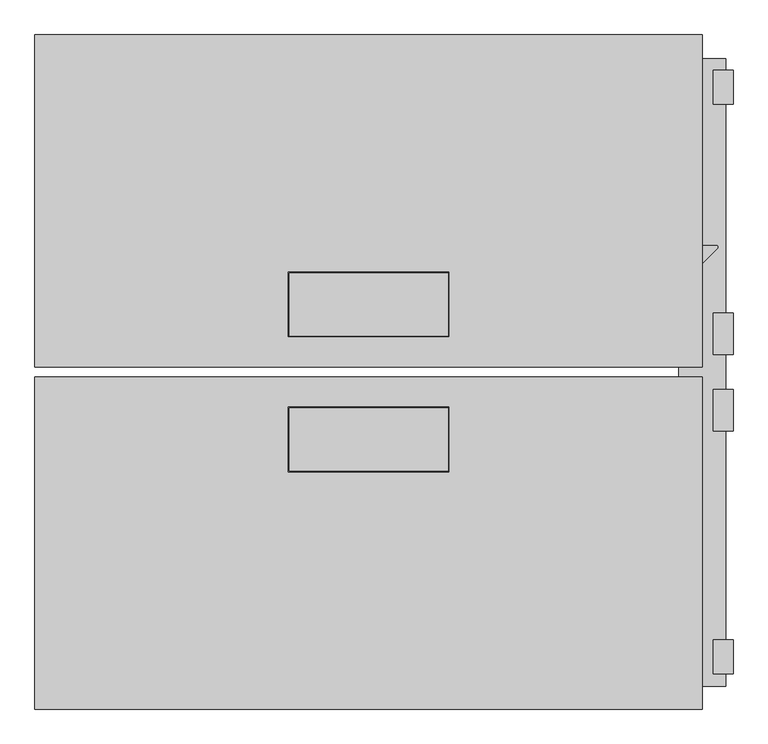
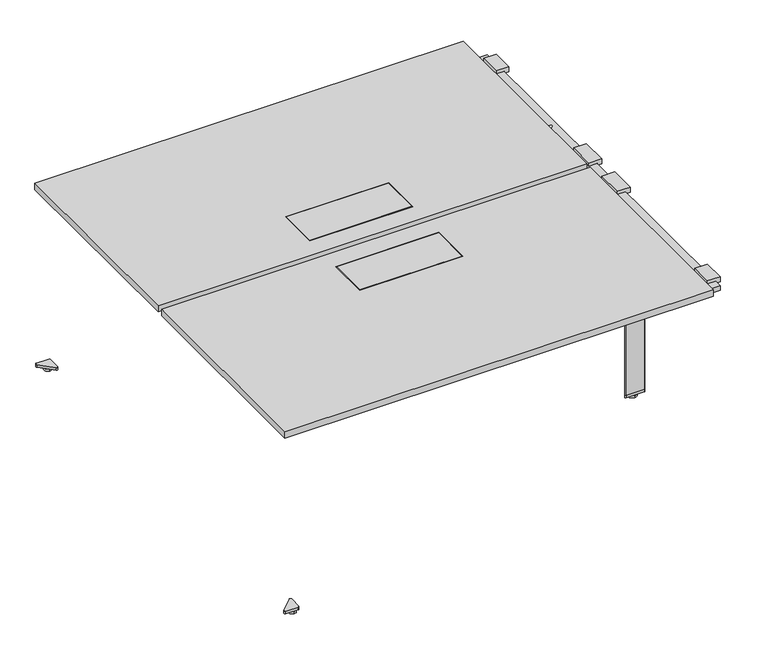
"""IFC4 building model written with IfcOpenShell, lengths in millimetres: furniture geometry."""

from ifc_helpers import new_model, si_unit, point, frame, frame_2d, origin, place, context, project, spatial, polyline, circle_curve, trimmed, segment, composite_curve, outline, extrude, source, transform, mapped, element, save
from ifc_brep_helpers import plane_surface, cylinder_surface, advanced_brep


def furniture_69a48671(model_context):
    return source(origin(), model_context, "Body", "SolidModel", [
        extrude(outline(composite_curve([segment(polyline([(766.7032099, 303.7199312), (833.1652429, 303.7199312)]), True, "CONTINUOUS"), segment(trimmed(circle_curve(frame_2d((833.1652429, 299.6914597)), 4.0284715), [point((833.1652429, 303.7199312))], [point((836.0138024, 296.8429002))], False, "CARTESIAN"), True, "CONTINUOUS"), segment(polyline([(836.0138024, 296.8429002), (802.8284248, 263.6575226)]), True, "CONTINUOUS"), segment(trimmed(circle_curve(frame_2d((799.9999977, 266.4859497)), 4.0), [point((802.8284248, 263.6575226))], [point((797.1715705, 263.6575226))], False, "CARTESIAN"), True, "CONTINUOUS"), segment(polyline([(797.1715705, 263.6575226), (763.8931783, 296.9359148)]), True, "CONTINUOUS"), segment(trimmed(circle_curve(frame_2d((766.7032099, 299.7459464)), 3.9739848), [point((763.8931783, 296.9359148))], [point((766.7032099, 303.7199312))], False, "CARTESIAN"), True, "CONTINUOUS")], self_intersect=False)), frame((0.0, 0.0, 23.208927), z_axis=(0.0, 0.0, 1.0), x_axis=(1.0, 0.0, 0.0)), (0.0, 0.0, 1.0), 673.9998185),
        extrude(outline(polyline([(697.6088462, 743.4999127), (697.6088462, 773.499912), (709.208801, 773.499912), (709.208801, 726.4999155), (689.6088291, 726.4999155), (689.6088291, 743.4999127), (697.6088462, 743.4999127)])), frame((0.0, -141.3356589, 0.0), z_axis=(0.0, 1.0, 0.0), x_axis=(0.0, 0.0, 1.0)), (0.0, 0.0, 1.0), 99.7357006),
        extrude(outline(polyline([(697.6088462, 856.5000826), (689.6088291, 856.5000826), (689.6088291, 873.5000798), (709.208801, 873.5000798), (709.208801, 826.5000833), (697.6088462, 826.5000833), (697.6088462, 856.5000826)])), frame((0.0, -141.3356589, 0.0), z_axis=(0.0, 1.0, 0.0), x_axis=(0.0, 0.0, 1.0)), (0.0, 0.0, 1.0), 99.7357006),
        extrude(outline(polyline([(697.6088462, 743.4999127), (697.6088462, 773.499912), (709.208801, 773.499912), (709.208801, 726.4999155), (689.6088291, 726.4999155), (689.6088291, 743.4999127), (697.6088462, 743.4999127)])), frame((0.0, 42.4999728, 0.0), z_axis=(0.0, 1.0, 0.0), x_axis=(0.0, 0.0, 1.0)), (0.0, 0.0, 1.0), 99.7357006),
        extrude(outline(polyline([(697.6088462, 856.5000826), (689.6088291, 856.5000826), (689.6088291, 873.5000798), (709.208801, 873.5000798), (709.208801, 826.5000833), (697.6088462, 826.5000833), (697.6088462, 856.5000826)])), frame((0.0, 42.4999728, 0.0), z_axis=(0.0, 1.0, 0.0), x_axis=(0.0, 0.0, 1.0)), (0.0, 0.0, 1.0), 99.7357006),
        extrude(outline(polyline([(697.6088462, 743.4999127), (697.6088462, 773.499912), (709.208801, 773.499912), (709.208801, 726.4999155), (689.6088291, 726.4999155), (689.6088291, 743.4999127), (697.6088462, 743.4999127)])), frame((0.0, 642.9699135, 0.0), z_axis=(0.0, 1.0, 0.0), x_axis=(0.0, 0.0, 1.0)), (0.0, 0.0, 1.0), 81.5000087),
        extrude(outline(polyline([(697.6088462, 856.5000826), (689.6088291, 856.5000826), (689.6088291, 873.5000798), (709.208801, 873.5000798), (709.208801, 826.5000833), (697.6088462, 826.5000833), (697.6088462, 856.5000826)])), frame((0.0, 642.9699135, 0.0), z_axis=(0.0, 1.0, 0.0), x_axis=(0.0, 0.0, 1.0)), (0.0, 0.0, 1.0), 81.5000087),
        extrude(outline(polyline([(697.6088462, 743.4999127), (697.6088462, 773.499912), (709.208801, 773.499912), (709.208801, 726.4999155), (689.6088291, 726.4999155), (689.6088291, 743.4999127), (697.6088462, 743.4999127)])), frame((0.0, -723.5699077, 0.0), z_axis=(0.0, 1.0, 0.0), x_axis=(0.0, 0.0, 1.0)), (0.0, 0.0, 1.0), 81.5000087),
        extrude(outline(polyline([(697.6088462, 856.5000826), (689.6088291, 856.5000826), (689.6088291, 873.5000798), (709.208801, 873.5000798), (709.208801, 826.5000833), (697.6088462, 826.5000833), (697.6088462, 856.5000826)])), frame((0.0, -723.5699077, 0.0), z_axis=(0.0, 1.0, 0.0), x_axis=(0.0, 0.0, 1.0)), (0.0, 0.0, 1.0), 81.5000087),
        advanced_brep(
        [(743.4999134, 751.6799325, 697.2087455), (856.4999114, 751.6799325, 697.2087455), (856.4999114, 751.6799325, 680.4588032), (743.4999134, 751.6799325, 680.4588032), (856.4999114, -753.8200861, 697.2087455), (743.4999134, -753.8200861, 697.2087455), (743.4999134, -753.8200861, 680.4588032), (856.4999114, -753.8200861, 680.4588032), (743.4999134, 713.4698138, 680.4588032), (743.4999134, 635.0456789, 642.208779), (743.4999134, -634.1456644, 642.208779), (743.4999134, -712.5697993, 680.4588032), (856.4999114, -712.5697993, 680.4588032), (856.4999114, -634.1456644, 642.208779), (856.4999114, 635.0456789, 642.208779), (856.4999114, 713.4698138, 680.4588032), (820.2499125, -634.1456644, 642.208779), (820.2499125, -302.8199167, 642.208779), (833.1652429, -302.8199167, 642.208779), (836.0138024, -295.9428858, 642.208779), (820.2499125, -280.1789958, 642.208779), (820.2499125, 635.0456789, 642.208779), (820.2499125, -712.5697993, 680.4588032), (820.2499125, -302.8199167, 680.4588032), (820.2499125, 713.4698138, 680.4588032), (820.2499125, -280.1789958, 680.4588032), (779.7499123, -712.5697993, 680.4588032), (779.7499123, -302.8199167, 680.4588032), (779.7499123, 713.4698138, 680.4588032), (802.8284248, -262.7575081, 680.4588032), (797.1715705, -262.7575081, 680.4588032), (779.7499123, -280.1791663, 680.4588032), (779.7499123, -634.1456644, 642.208779), (779.7499123, -302.8199167, 642.208779), (779.7499123, 635.0456789, 642.208779), (779.7499123, -280.1791663, 642.208779), (763.8931783, -296.0359003, 642.208779), (766.7032099, -302.8199167, 642.208779), (766.7032099, -302.8199167, 23.208927), (763.8931783, -296.0359003, 23.208927), (797.1715705, -262.7575081, 23.208927), (802.8284248, -262.7575081, 23.208927), (836.0138024, -295.9428858, 23.208927), (833.1652429, -302.8199167, 23.208927)],
        [
            (0, 1),
            (1, 2),
            (2, 3),
            (3, 0),
            (4, 5),
            (5, 6),
            (6, 7),
            (7, 4),
            (5, 0),
            (3, 8),
            (8, 9),
            (9, 10),
            (10, 11),
            (11, 6),
            (4, 1),
            (7, 12),
            (12, 13),
            (13, 14),
            (14, 15),
            (15, 2),
            (13, 16),
            (16, 17),
            (17, 18),
            (18, 19, circle_curve(frame((833.1652429, -298.7914452, 642.208779), z_axis=(0.0, 0.0, 1.0), x_axis=(1.0, 0.0, 0.0)), 4.0284715)),
            (19, 20),
            (20, 21),
            (21, 14),
            (16, 22),
            (22, 23),
            (23, 17),
            (24, 21),
            (20, 25),
            (25, 24),
            (11, 26),
            (26, 27),
            (27, 23),
            (22, 12),
            (28, 8),
            (15, 24),
            (25, 29),
            (29, 30, circle_curve(frame((799.9999977, -265.5859352, 680.4588032), z_axis=(0.0, 0.0, 1.0), x_axis=(1.0, 0.0, 0.0)), 4.0)),
            (30, 31),
            (31, 28),
            (26, 32),
            (32, 33),
            (33, 27),
            (34, 28),
            (31, 35),
            (35, 34),
            (9, 34),
            (35, 36),
            (36, 37, circle_curve(frame((766.7032099, -298.8459319, 642.208779), z_axis=(0.0, 0.0, 1.0), x_axis=(1.0, 0.0, 0.0)), 3.9739848)),
            (37, 33),
            (32, 10),
            (38, 39, circle_curve(frame((766.7032099, -298.8459319, 23.208927), z_axis=(0.0, 0.0, -1.0), x_axis=(1.0, 0.0, 0.0)), 3.9739848)),
            (39, 40),
            (40, 41, circle_curve(frame((799.9999977, -265.5859352, 23.208927), z_axis=(0.0, 0.0, -1.0), x_axis=(1.0, 0.0, 0.0)), 4.0)),
            (41, 42),
            (42, 43, circle_curve(frame((833.1652429, -298.7914452, 23.208927), z_axis=(0.0, 0.0, -1.0), x_axis=(1.0, 0.0, 0.0)), 4.0284715)),
            (43, 38),
            (43, 18),
            (37, 38),
            (42, 19),
            (41, 29),
            (40, 30),
            (39, 36),
        ],
        [
            plane_surface(frame((743.4999134, 751.6799325, 642.208779), z_axis=(0.0, 1.0, 0.0), x_axis=(0.0, 0.0, 1.0))),
            plane_surface(frame((743.4999134, -753.8200861, 642.208779), z_axis=(0.0, -1.0, 0.0), x_axis=(0.0, 0.0, -1.0))),
            plane_surface(frame((743.4999134, 751.6799325, 642.208779), z_axis=(-1.0, 0.0, 0.0), x_axis=(0.0, -1.0, 0.0))),
            plane_surface(frame((743.4999134, 751.6799325, 697.2087455), z_axis=(0.0, 0.0, 1.0), x_axis=(0.0, -1.0, 0.0))),
            plane_surface(frame((856.4999114, 751.6799325, 697.2087455), z_axis=(1.0, 0.0, 0.0), x_axis=(0.0, -1.0, 0.0))),
            plane_surface(frame((856.4999114, 751.6799325, 642.208779), z_axis=(0.0, 0.0, -1.0), x_axis=(0.0, -1.0, 0.0))),
            plane_surface(frame((820.2499125, 751.6799325, 642.208779), z_axis=(-1.0, 0.0, 0.0), x_axis=(0.0, -1.0, 0.0))),
            plane_surface(frame((820.2499125, 751.6799325, 680.4588032), z_axis=(0.0, 0.0, -1.0), x_axis=(0.0, -1.0, 0.0))),
            plane_surface(frame((779.7499123, 751.6799325, 680.4588032), z_axis=(1.0, 0.0, 0.0), x_axis=(0.0, -1.0, 0.0))),
            plane_surface(frame((779.7499123, 751.6799325, 642.208779), z_axis=(0.0, 0.0, -1.0), x_axis=(0.0, -1.0, 0.0))),
            plane_surface(frame((890.6366243, -627.1843725, 638.8135285), z_axis=(0.0, -0.4383713119934702, -0.8987939657235821), x_axis=(-1.0, 0.0, 0.0))),
            plane_surface(frame((890.6366243, 713.4698138, 680.4588032), z_axis=(0.0, 0.4383713119934702, -0.8987939657235821), x_axis=(-1.0, 0.0, 0.0))),
            plane_surface(frame((833.1652429, -302.8199167, 23.208927), z_axis=(0.0, 0.0, -1.0), x_axis=(-1.0, 0.0, 0.0))),
            plane_surface(frame((766.7032099, -302.8199167, 697.2087455), z_axis=(0.0, -1.0, 0.0), x_axis=(0.0, 0.0, -1.0))),
            cylinder_surface(frame((833.1652429, -298.7914452, 23.208927), z_axis=(0.0, 0.0, 1.0), x_axis=(1.0, 0.0, 0.0)), 4.0284715),
            plane_surface(frame((836.0138024, -295.9428858, 697.2087455), z_axis=(0.7071067811865195, 0.7071067811865757, 0.0), x_axis=(0.0, 0.0, -1.0))),
            cylinder_surface(frame((799.9999977, -265.5859352, 23.208927), z_axis=(0.0, 0.0, 1.0), x_axis=(1.0, 0.0, 0.0)), 4.0),
            plane_surface(frame((797.1715705, -262.7575081, 697.2087455), z_axis=(-0.7071067811865511, 0.7071067811865439, 0.0), x_axis=(0.0, 0.0, -1.0))),
            cylinder_surface(frame((766.7032099, -298.8459319, 23.208927), z_axis=(0.0, 0.0, 1.0), x_axis=(1.0, 0.0, 0.0)), 3.9739848),
        ],
        [
            (0, [[1, 2, 3, 4]]),
            (1, [[5, 6, 7, 8]]),
            (2, [[9, -4, 10, 11, 12, 13, 14, -6]]),
            (3, [[-1, -9, -5, 15]]),
            (4, [[-15, -8, 16, 17, 18, 19, 20, -2]]),
            (5, [[-18, 21, 22, 23, 24, 25, 26, 27]]),
            (6, [[28, 29, 30, -22]]),
            (6, [[31, -26, 32, 33]]),
            (7, [[34, 35, 36, -29, 37, -16, -7, -14]]),
            (7, [[38, -10, -3, -20, 39, -33, 40, 41, 42, 43]]),
            (8, [[44, 45, 46, -35]]),
            (8, [[47, -43, 48, 49]]),
            (9, [[-12, 50, -49, 51, 52, 53, -45, 54]]),
            (10, [[-34, -13, -54, -44]]),
            (10, [[-37, -28, -21, -17]]),
            (11, [[-38, -47, -50, -11]]),
            (11, [[-39, -19, -27, -31]]),
            (12, [[55, 56, 57, 58, 59, 60]]),
            (13, [[-60, 61, -23, -30, -36, -46, -53, 62]]),
            (14, [[-59, 63, -24, -61]]),
            (15, [[-58, 64, -40, -32, -25, -63]]),
            (16, [[-57, 65, -41, -64]]),
            (17, [[-56, 66, -51, -48, -42, -65]]),
            (18, [[-55, -62, -52, -66]]),
        ],
    ),
        advanced_brep(
        [(799.9999977, 274.909596, 13.2089251), (799.9999977, 291.296285, 13.2089251), (799.9999977, 291.296285, 7.9177468), (799.9999977, 274.909596, 7.9177468), (799.9999977, 299.9685714, 7.9177468), (799.9999977, 266.2373095, 7.9177468), (799.9999977, 299.9685714, 0.0), (799.9999977, 266.2373095, 0.0), (799.9999977, 283.1029405, 0.0), (799.9999977, 283.1029405, 13.2089251)],
        [
            (0, 1, circle_curve(frame((799.9999977, 283.1029405, 13.2089251), z_axis=(0.0, 0.0, -1.0), x_axis=(0.0, 1.0, 0.0)), 8.1933445)),
            (1, 2),
            (2, 3, circle_curve(frame((799.9999977, 283.1029405, 7.9177468), z_axis=(0.0, 0.0, 1.0), x_axis=(0.0, 1.0, 0.0)), 8.1933445)),
            (3, 0),
            (1, 0, circle_curve(frame((799.9999977, 283.1029405, 13.2089251), z_axis=(0.0, 0.0, -1.0), x_axis=(0.0, 1.0, 0.0)), 8.1933445)),
            (3, 2, circle_curve(frame((799.9999977, 283.1029405, 7.9177468), z_axis=(0.0, 0.0, 1.0), x_axis=(0.0, 1.0, 0.0)), 8.1933445)),
            (2, 4),
            (4, 5, circle_curve(frame((799.9999977, 283.1029405, 7.9177468), z_axis=(0.0, 0.0, 1.0), x_axis=(0.0, 1.0, 0.0)), 16.865631)),
            (5, 3),
            (5, 4, circle_curve(frame((799.9999977, 283.1029405, 7.9177468), z_axis=(0.0, 0.0, 1.0), x_axis=(0.0, 1.0, 0.0)), 16.865631)),
            (4, 6),
            (6, 7, circle_curve(frame((799.9999977, 283.1029405, 0.0), z_axis=(0.0, 0.0, 1.0), x_axis=(0.0, 1.0, 0.0)), 16.865631)),
            (7, 5),
            (7, 6, circle_curve(frame((799.9999977, 283.1029405, 0.0), z_axis=(0.0, 0.0, 1.0), x_axis=(0.0, 1.0, 0.0)), 16.865631)),
            (6, 8),
            (8, 7),
            (9, 1),
            (0, 9),
        ],
        [
            cylinder_surface(frame((799.9999977, 283.1029405, 23.208927), z_axis=(0.0, 0.0, 1.0), x_axis=(0.0, 1.0, 0.0)), 8.1933445),
            plane_surface(frame((799.9999977, 283.1029405, 7.9177468), z_axis=(0.0, 0.0, 1.0), x_axis=(0.0, 1.0, 0.0))),
            cylinder_surface(frame((799.9999977, 283.1029405, 23.208927), z_axis=(0.0, 0.0, 1.0), x_axis=(0.0, 1.0, 0.0)), 16.865631),
            plane_surface(frame((799.9999977, 283.1029405, 0.0), z_axis=(0.0, 0.0, -1.0), x_axis=(0.0, 1.0, 0.0))),
            plane_surface(frame((799.9999977, 283.1029405, 13.2089251), z_axis=(0.0, 0.0, 1.0), x_axis=(0.0, 1.0, 0.0))),
        ],
        [
            (0, [[1, 2, 3, 4]]),
            (0, [[5, -4, 6, -2]]),
            (1, [[-3, 7, 8, 9]]),
            (1, [[-6, -9, 10, -7]]),
            (2, [[-8, 11, 12, 13]]),
            (2, [[-10, -13, 14, -11]]),
            (3, [[-12, 15, 16]]),
            (3, [[-14, -16, -15]]),
            (4, [[17, -1, 18]]),
            (4, [[-18, -5, -17]]),
        ],
    ),
        extrude(outline(composite_curve([segment(trimmed(circle_curve(frame_2d((766.7032099, 299.7459464)), 3.9739848), [point((763.8931783, 296.9359148))], [point((766.7032099, 303.7199312))], False, "CARTESIAN"), True, "CONTINUOUS"), segment(polyline([(766.7032099, 303.7199312), (833.1652429, 303.7199312)]), True, "CONTINUOUS"), segment(trimmed(circle_curve(frame_2d((833.1652429, 299.6914597)), 4.0284715), [point((833.1652429, 303.7199312))], [point((836.0138024, 296.8429002))], False, "CARTESIAN"), True, "CONTINUOUS"), segment(polyline([(836.0138024, 296.8429002), (802.8284248, 263.6575226)]), True, "CONTINUOUS"), segment(trimmed(circle_curve(frame_2d((799.9999977, 266.4859497)), 4.0), [point((802.8284248, 263.6575226))], [point((797.1715705, 263.6575226))], False, "CARTESIAN"), True, "CONTINUOUS"), segment(polyline([(797.1715705, 263.6575226), (763.8931783, 296.9359148)]), True, "CONTINUOUS")], self_intersect=False)), frame((0.0, 0.0, 13.2089251), z_axis=(0.0, 0.0, 1.0), x_axis=(1.0, 0.0, 0.0)), (0.0, 0.0, 1.0), 10.0000019),
        advanced_brep(
        [(799.9999977, -274.0095815, 7.9177468), (799.9999977, -290.3962705, 7.9177468), (799.9999977, -290.3962705, 13.2089251), (799.9999977, -274.0095815, 13.2089251), (799.9999977, -265.337295, 7.9177468), (799.9999977, -299.0685569, 7.9177468), (799.9999977, -265.337295, 0.0), (799.9999977, -299.0685569, 0.0), (799.9999977, -282.202926, 0.0), (799.9999977, -282.202926, 13.2089251)],
        [
            (0, 1, circle_curve(frame((799.9999977, -282.202926, 7.9177468), z_axis=(0.0, 0.0, 1.0), x_axis=(0.0, -1.0, 0.0)), 8.1933445)),
            (1, 2),
            (2, 3, circle_curve(frame((799.9999977, -282.202926, 13.2089251), z_axis=(0.0, 0.0, -1.0), x_axis=(0.0, -1.0, 0.0)), 8.1933445)),
            (3, 0),
            (1, 0, circle_curve(frame((799.9999977, -282.202926, 7.9177468), z_axis=(0.0, 0.0, 1.0), x_axis=(0.0, -1.0, 0.0)), 8.1933445)),
            (3, 2, circle_curve(frame((799.9999977, -282.202926, 13.2089251), z_axis=(0.0, 0.0, -1.0), x_axis=(0.0, -1.0, 0.0)), 8.1933445)),
            (4, 5, circle_curve(frame((799.9999977, -282.202926, 7.9177468), z_axis=(0.0, 0.0, 1.0), x_axis=(0.0, -1.0, 0.0)), 16.865631)),
            (5, 1),
            (0, 4),
            (5, 4, circle_curve(frame((799.9999977, -282.202926, 7.9177468), z_axis=(0.0, 0.0, 1.0), x_axis=(0.0, -1.0, 0.0)), 16.865631)),
            (6, 7, circle_curve(frame((799.9999977, -282.202926, 0.0), z_axis=(0.0, 0.0, 1.0), x_axis=(0.0, -1.0, 0.0)), 16.865631)),
            (7, 5),
            (4, 6),
            (7, 6, circle_curve(frame((799.9999977, -282.202926, 0.0), z_axis=(0.0, 0.0, 1.0), x_axis=(0.0, -1.0, 0.0)), 16.865631)),
            (8, 7),
            (6, 8),
            (2, 9),
            (9, 3),
        ],
        [
            cylinder_surface(frame((799.9999977, -282.202926, 23.208927), z_axis=(0.0, 0.0, -1.0), x_axis=(0.0, -1.0, 0.0)), 8.1933445),
            plane_surface(frame((799.9999977, -282.202926, 7.9177468), z_axis=(0.0, 0.0, 1.0), x_axis=(0.0, -1.0, 0.0))),
            cylinder_surface(frame((799.9999977, -282.202926, 23.208927), z_axis=(0.0, 0.0, -1.0), x_axis=(0.0, -1.0, 0.0)), 16.865631),
            plane_surface(frame((799.9999977, -282.202926, 0.0), z_axis=(0.0, 0.0, -1.0), x_axis=(0.0, -1.0, 0.0))),
            plane_surface(frame((799.9999977, -282.202926, 13.2089251), z_axis=(0.0, 0.0, 1.0), x_axis=(0.0, -1.0, 0.0))),
        ],
        [
            (0, [[1, 2, 3, 4]]),
            (0, [[5, -4, 6, -2]]),
            (1, [[7, 8, -1, 9]]),
            (1, [[10, -9, -5, -8]]),
            (2, [[11, 12, -7, 13]]),
            (2, [[14, -13, -10, -12]]),
            (3, [[15, -11, 16]]),
            (3, [[-16, -14, -15]]),
            (4, [[-3, 17, 18]]),
            (4, [[-6, -18, -17]]),
        ],
    ),
        extrude(outline(composite_curve([segment(polyline([(763.8931783, -296.0359003), (797.1715705, -262.7575081)]), True, "CONTINUOUS"), segment(trimmed(circle_curve(frame_2d((799.9999977, -265.5859352)), 4.0), [point((797.1715705, -262.7575081))], [point((802.8284248, -262.7575081))], False, "CARTESIAN"), True, "CONTINUOUS"), segment(polyline([(802.8284248, -262.7575081), (836.0138024, -295.9428858)]), True, "CONTINUOUS"), segment(trimmed(circle_curve(frame_2d((833.1652429, -298.7914452)), 4.0284715), [point((836.0138024, -295.9428858))], [point((833.1652429, -302.8199167))], False, "CARTESIAN"), True, "CONTINUOUS"), segment(polyline([(833.1652429, -302.8199167), (766.7032099, -302.8199167)]), True, "CONTINUOUS"), segment(trimmed(circle_curve(frame_2d((766.7032099, -298.8459319)), 3.9739848), [point((766.7032099, -302.8199167))], [point((763.8931783, -296.0359003))], False, "CARTESIAN"), True, "CONTINUOUS")], self_intersect=False)), frame((0.0, 0.0, 13.2089251), z_axis=(0.0, 0.0, 1.0), x_axis=(1.0, 0.0, 0.0)), (0.0, 0.0, 1.0), 10.0000019),
        advanced_brep(
        [(-762.7423379, -794.7906718, 13.224838), (-762.7423379, -783.7789976, 13.224838), (-762.7423379, -789.2848347, 13.224838), (-762.7423379, -789.2848347, 0.0), (-762.7423379, -775.1063404, 0.0), (-762.7423379, -803.4633289, 0.0), (-762.7423379, -775.1063404, 7.9176691), (-762.7423379, -803.4633289, 7.9176691), (-762.7423379, -783.7789976, 7.9176691), (-762.7423379, -794.7906718, 7.9176691)],
        [
            (0, 1, circle_curve(frame((-762.7423379, -789.2848347, 13.224838), z_axis=(0.0, 0.0, 1.0), x_axis=(0.0, 1.0, 0.0)), 5.5058371)),
            (1, 2),
            (2, 0),
            (1, 0, circle_curve(frame((-762.7423379, -789.2848347, 13.224838), z_axis=(0.0, 0.0, 1.0), x_axis=(0.0, 1.0, 0.0)), 5.5058371)),
            (3, 4),
            (4, 5, circle_curve(frame((-762.7423379, -789.2848347, 0.0), z_axis=(0.0, 0.0, -1.0), x_axis=(0.0, 1.0, 0.0)), 14.1784942)),
            (5, 3),
            (5, 4, circle_curve(frame((-762.7423379, -789.2848347, 0.0), z_axis=(0.0, 0.0, -1.0), x_axis=(0.0, 1.0, 0.0)), 14.1784942)),
            (4, 6),
            (6, 7, circle_curve(frame((-762.7423379, -789.2848347, 7.9176691), z_axis=(0.0, 0.0, -1.0), x_axis=(0.0, 1.0, 0.0)), 14.1784942)),
            (7, 5),
            (7, 6, circle_curve(frame((-762.7423379, -789.2848347, 7.9176691), z_axis=(0.0, 0.0, -1.0), x_axis=(0.0, 1.0, 0.0)), 14.1784942)),
            (6, 8),
            (8, 9, circle_curve(frame((-762.7423379, -789.2848347, 7.9176691), z_axis=(0.0, 0.0, -1.0), x_axis=(0.0, 1.0, 0.0)), 5.5058371)),
            (9, 7),
            (9, 8, circle_curve(frame((-762.7423379, -789.2848347, 7.9176691), z_axis=(0.0, 0.0, -1.0), x_axis=(0.0, 1.0, 0.0)), 5.5058371)),
            (8, 1),
            (0, 9),
        ],
        [
            plane_surface(frame((-762.7423379, -789.2848347, 13.224838), z_axis=(0.0, 0.0, 1.0), x_axis=(0.0, 1.0, 0.0))),
            plane_surface(frame((-762.7423379, -789.2848347, 0.0), z_axis=(0.0, 0.0, -1.0), x_axis=(0.0, 1.0, 0.0))),
            cylinder_surface(frame((-762.7423379, -789.2848347, -3.4494758), z_axis=(0.0, 0.0, -1.0), x_axis=(0.0, 1.0, 0.0)), 14.1784942),
            plane_surface(frame((-762.7423379, -789.2848347, 7.9176691), z_axis=(0.0, 0.0, 1.0), x_axis=(0.0, 1.0, 0.0))),
            cylinder_surface(frame((-762.7423379, -789.2848347, -3.4494758), z_axis=(0.0, 0.0, -1.0), x_axis=(0.0, 1.0, 0.0)), 5.5058371),
        ],
        [
            (0, [[1, 2, 3]]),
            (0, [[4, -3, -2]]),
            (1, [[5, 6, 7]]),
            (1, [[-7, 8, -5]]),
            (2, [[-6, 9, 10, 11]]),
            (2, [[-8, -11, 12, -9]]),
            (3, [[-10, 13, 14, 15]]),
            (3, [[-12, -15, 16, -13]]),
            (4, [[-14, 17, -1, 18]]),
            (4, [[-16, -18, -4, -17]]),
        ],
    ),
        advanced_brep(
        [(-762.7423379, 790.1848492, 13.224838), (-762.7423379, 784.679012, 13.224838), (-762.7423379, 795.6906863, 13.224838), (-762.7423379, 804.3633434, 0.0), (-762.7423379, 776.0063549, 0.0), (-762.7423379, 790.1848492, 0.0), (-762.7423379, 804.3633434, 7.9176691), (-762.7423379, 776.0063549, 7.9176691), (-762.7423379, 795.6906863, 7.9176691), (-762.7423379, 784.679012, 7.9176691)],
        [
            (0, 1),
            (1, 2, circle_curve(frame((-762.7423379, 790.1848492, 13.224838), z_axis=(0.0, 0.0, 1.0), x_axis=(0.0, -1.0, 0.0)), 5.5058371)),
            (2, 0),
            (2, 1, circle_curve(frame((-762.7423379, 790.1848492, 13.224838), z_axis=(0.0, 0.0, 1.0), x_axis=(0.0, -1.0, 0.0)), 5.5058371)),
            (3, 4, circle_curve(frame((-762.7423379, 790.1848492, 0.0), z_axis=(0.0, 0.0, -1.0), x_axis=(0.0, -1.0, 0.0)), 14.1784942)),
            (4, 5),
            (5, 3),
            (4, 3, circle_curve(frame((-762.7423379, 790.1848492, 0.0), z_axis=(0.0, 0.0, -1.0), x_axis=(0.0, -1.0, 0.0)), 14.1784942)),
            (6, 7, circle_curve(frame((-762.7423379, 790.1848492, 7.9176691), z_axis=(0.0, 0.0, -1.0), x_axis=(0.0, -1.0, 0.0)), 14.1784942)),
            (7, 4),
            (3, 6),
            (7, 6, circle_curve(frame((-762.7423379, 790.1848492, 7.9176691), z_axis=(0.0, 0.0, -1.0), x_axis=(0.0, -1.0, 0.0)), 14.1784942)),
            (8, 9, circle_curve(frame((-762.7423379, 790.1848492, 7.9176691), z_axis=(0.0, 0.0, -1.0), x_axis=(0.0, -1.0, 0.0)), 5.5058371)),
            (9, 7),
            (6, 8),
            (9, 8, circle_curve(frame((-762.7423379, 790.1848492, 7.9176691), z_axis=(0.0, 0.0, -1.0), x_axis=(0.0, -1.0, 0.0)), 5.5058371)),
            (1, 9),
            (8, 2),
        ],
        [
            plane_surface(frame((-762.7423379, 790.1848492, 13.224838), z_axis=(0.0, 0.0, 1.0), x_axis=(0.0, -1.0, 0.0))),
            plane_surface(frame((-762.7423379, 790.1848492, 0.0), z_axis=(0.0, 0.0, -1.0), x_axis=(0.0, -1.0, 0.0))),
            cylinder_surface(frame((-762.7423379, 790.1848492, -3.4494758), z_axis=(0.0, 0.0, 1.0), x_axis=(0.0, -1.0, 0.0)), 14.1784942),
            plane_surface(frame((-762.7423379, 790.1848492, 7.9176691), z_axis=(0.0, 0.0, 1.0), x_axis=(0.0, -1.0, 0.0))),
            cylinder_surface(frame((-762.7423379, 790.1848492, -3.4494758), z_axis=(0.0, 0.0, 1.0), x_axis=(0.0, -1.0, 0.0)), 5.5058371),
        ],
        [
            (0, [[1, 2, 3]]),
            (0, [[-3, 4, -1]]),
            (1, [[5, 6, 7]]),
            (1, [[8, -7, -6]]),
            (2, [[9, 10, -5, 11]]),
            (2, [[12, -11, -8, -10]]),
            (3, [[13, 14, -9, 15]]),
            (3, [[16, -15, -12, -14]]),
            (4, [[-2, 17, -13, 18]]),
            (4, [[-4, -18, -16, -17]]),
        ],
    ),
        extrude(outline(composite_curve([segment(trimmed(circle_curve(frame_2d((-749.0762626, -755.6763005)), 4.0), [point((-751.9046897, -752.8478734))], [point((-745.0762626, -755.6763005))], False, "CARTESIAN"), True, "CONTINUOUS"), segment(polyline([(-745.0762626, -755.6763005), (-745.0762626, -802.5999928)]), True, "CONTINUOUS"), segment(trimmed(circle_curve(frame_2d((-749.0762626, -802.5999928)), 4.0), [point((-745.0762626, -802.5999928))], [point((-749.0762626, -806.5999928))], False, "CARTESIAN"), True, "CONTINUOUS"), segment(polyline([(-749.0762626, -806.5999928), (-795.9999549, -806.5999928)]), True, "CONTINUOUS"), segment(trimmed(circle_curve(frame_2d((-795.9999549, -802.5999928)), 4.0), [point((-795.9999549, -806.5999928))], [point((-798.828382, -799.7715656))], False, "CARTESIAN"), True, "CONTINUOUS"), segment(polyline([(-798.828382, -799.7715656), (-751.9046897, -752.8478734)]), True, "CONTINUOUS")], self_intersect=False)), frame((0.0, 0.0, 13.224838), z_axis=(0.0, 0.0, 1.0), x_axis=(1.0, 0.0, 0.0)), (0.0, 0.0, 1.0), 9.9945627),
        extrude(outline(composite_curve([segment(polyline([(-751.9046897, 753.7478879), (-798.828382, 800.6715801)]), True, "CONTINUOUS"), segment(trimmed(circle_curve(frame_2d((-795.9999549, 803.5000072)), 4.0), [point((-798.828382, 800.6715801))], [point((-795.9999549, 807.5000072))], False, "CARTESIAN"), True, "CONTINUOUS"), segment(polyline([(-795.9999549, 807.5000072), (-749.0762626, 807.5000072)]), True, "CONTINUOUS"), segment(trimmed(circle_curve(frame_2d((-749.0762626, 803.5000072)), 4.0), [point((-749.0762626, 807.5000072))], [point((-745.0762626, 803.5000072))], False, "CARTESIAN"), True, "CONTINUOUS"), segment(polyline([(-745.0762626, 803.5000072), (-745.0762626, 756.576315)]), True, "CONTINUOUS"), segment(trimmed(circle_curve(frame_2d((-749.0762626, 756.576315)), 4.0), [point((-745.0762626, 756.576315))], [point((-751.9046897, 753.7478879))], False, "CARTESIAN"), True, "CONTINUOUS")], self_intersect=False)), frame((0.0, 0.0, 13.224838), z_axis=(0.0, 0.0, 1.0), x_axis=(1.0, 0.0, 0.0)), (0.0, 0.0, 1.0), 9.9945627),
        extrude(outline(polyline([(190.5000406, 86.9999979), (-190.5000452, 86.9999979), (-190.5000452, 238.0000066), (190.5000406, 238.0000066), (190.5000406, 86.9999979)])), frame((0.0, 0.0, 723.4999827), z_axis=(0.0, 0.0, 1.0), x_axis=(1.0, 0.0, 0.0)), (0.0, 0.0, 1.0), 10.7088669),
        extrude(outline(polyline([(190.5000406, -86.0999834), (190.5000406, -237.0999921), (-190.5000452, -237.0999921), (-190.5000452, -86.0999834), (190.5000406, -86.0999834)])), frame((0.0, 0.0, 723.4999827), z_axis=(0.0, 0.0, 1.0), x_axis=(1.0, 0.0, 0.0)), (0.0, 0.0, 1.0), 10.7088669),
        extrude(outline(polyline([(799.9999977, -11.5999583), (799.9999977, -808.0499928), (-800.0000023, -808.0499928), (-800.0000023, -11.5999583), (799.9999977, -11.5999583)]), holes=[polyline([(192.5000406, -84.0999834), (-192.5000452, -84.0999834), (-192.5000452, -239.0999921), (192.5000406, -239.0999921), (192.5000406, -84.0999834)])]), frame((0.0, 0.0, 709.208801), z_axis=(0.0, 0.0, 1.0), x_axis=(1.0, 0.0, 0.0)), (0.0, 0.0, 1.0), 25.0000486),
        extrude(outline(polyline([(799.9999977, 12.4999728), (-800.0000023, 12.4999728), (-800.0000023, 808.9500072), (799.9999977, 808.9500072), (799.9999977, 12.4999728)]), holes=[polyline([(192.5000406, 84.9999979), (192.5000406, 240.0000066), (-192.5000452, 240.0000066), (-192.5000452, 84.9999979), (192.5000406, 84.9999979)])]), frame((0.0, 0.0, 709.208801), z_axis=(0.0, 0.0, 1.0), x_axis=(1.0, 0.0, 0.0)), (0.0, 0.0, 1.0), 25.0000486),
    ])


if __name__ == "__main__":
    model = new_model("IFC4")
    model_context = context("Model", 3, world=origin())
    ifc_project = project(units=[si_unit("LENGTHUNIT", "METRE", prefix="MILLI")], contexts=[model_context])
    site = spatial("IfcSite", under=ifc_project)
    building = spatial("IfcBuilding", under=site)
    placement = place(None, origin())
    furniture_shape = furniture_69a48671(model_context)
    element("IfcFurniture", 1, at=placement, inside=building, context=model_context, shape_type="MappedRepresentation", body=[
        mapped(furniture_shape, transform((0.0, 0.0, 0.0), x_axis=(1.0, 0.0, 0.0), y_axis=(0.0, 1.0, 0.0), z_axis=(0.0, 0.0, 1.0))),
    ])
    save(model, "model.ifc")
